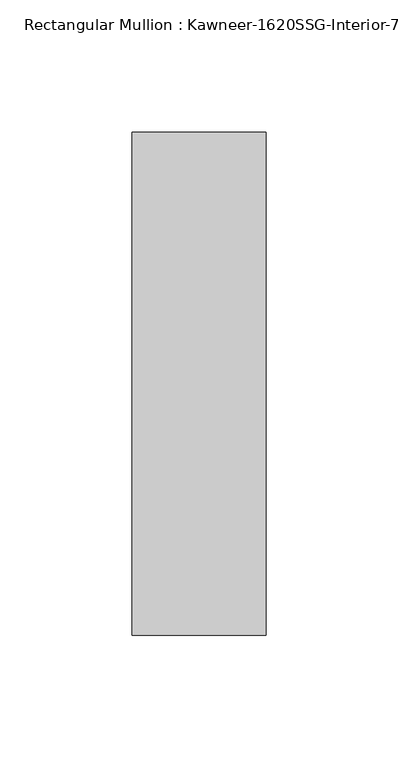
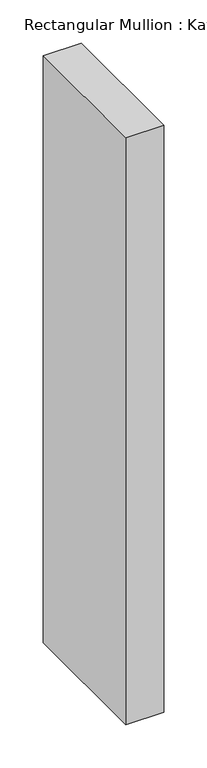
"""IFC4 building model written with IfcOpenShell, lengths in millimetres: member geometry."""

from ifc_helpers import new_model, si_unit, frame, origin, place, context, project, spatial, polyline, outline, extrude, source, transform, mapped, element, save


def member_d3e70d16(model_context):
    return source(origin(), model_context, "Body", "SweptSolid", [
        extrude(outline(polyline([(25.4, -161.925), (-25.4, -161.925), (-25.4, 28.575), (25.4, 28.575), (25.4, -161.925)])), frame((0.0, 0.0, -828.675), z_axis=(0.0, 0.0, 1.0), x_axis=(1.0, 0.0, 0.0)), (0.0, 0.0, 1.0), 828.675),
    ])


if __name__ == "__main__":
    model = new_model("IFC4")
    model_context = context("Model", 3, world=origin())
    ifc_project = project(units=[si_unit("LENGTHUNIT", "METRE", prefix="MILLI")], contexts=[model_context])
    site = spatial("IfcSite", under=ifc_project)
    building = spatial("IfcBuilding", under=site)
    placement = place(None, origin())
    member_shape = member_d3e70d16(model_context)
    element("IfcMember", 1, ObjectType="Rectangular Mullion : Kawneer-1620SSG-Interior-7.5\"-1/4\"Infill", at=placement, inside=building, context=model_context, shape_type="MappedRepresentation", body=[
        mapped(member_shape, transform((0.0, 0.0, 0.0), x_axis=(1.0, 0.0, 0.0), y_axis=(0.0, 1.0, 0.0), z_axis=(0.0, 0.0, 1.0))),
    ])
    save(model, "model.ifc")
